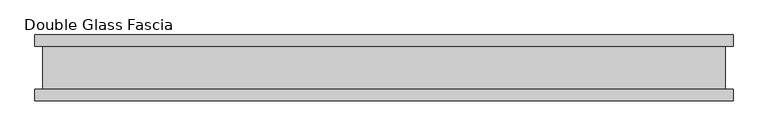
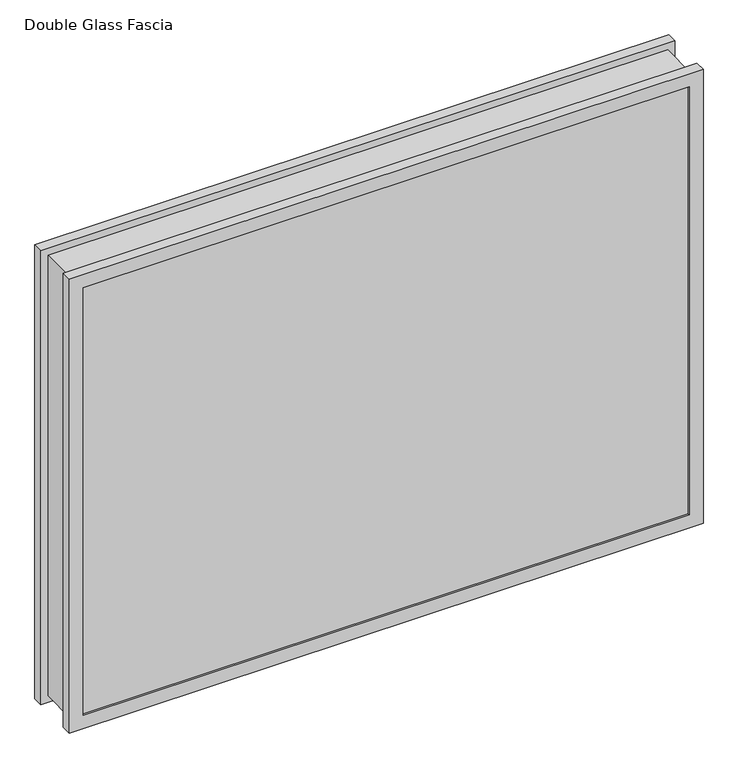
"""IFC4 building model written with IfcOpenShell, lengths in millimetres: proxy geometry, Double Glass Fascia."""

from ifc_helpers import new_model, si_unit, frame, origin, place, context, project, spatial, polyline, outline, extrude, faceted_brep, source, transform, mapped, element, save


def double_glass_fascia_5afd4dc1(model_context):
    return source(origin(), model_context, "Body", "SolidModel", [
        faceted_brep([(519.6640848, 32.4352299, 795.8590849), (519.6640848, -32.4352299, 795.8590849), (519.6640848, -32.4352299, 15.0359151), (519.6640848, 32.4352299, 15.0359151), (-519.6640848, -32.4352299, 15.0359151), (-519.6640848, 32.4352299, 15.0359151), (-519.6640848, -32.4352299, 795.8590849), (-519.6640848, 32.4352299, 795.8590849), (508.4871999, -38.8962152, 784.6822), (508.4871999, 38.8962152, 784.6822), (508.4871999, 38.8962152, 26.2128), (508.4871999, -38.8962152, 26.2128), (525.2218392, -47.1322551, 801.4168392), (525.2218392, -38.8962152, 801.4168392), (525.2218392, -38.8962152, 9.4781608), (525.2218392, -47.1322551, 9.4781608), (508.3093999, -50.0558594, 784.5044), (508.3093999, -47.1322551, 784.5044), (508.3093999, -47.1322551, 26.3906), (508.3093999, -50.0558594, 26.3906), (531.5249999, -32.4352299, 807.72), (531.5249999, -50.0558594, 807.72), (531.5249999, -50.0558594, 3.175), (531.5249999, -32.4352299, 3.175), (-508.4871999, 38.8962152, 26.2128), (-508.4871999, -38.8962152, 26.2128), (-525.2218392, -38.8962152, 9.4781608), (-525.2218392, -47.1322551, 9.4781608), (-508.3093999, -47.1322551, 26.3906), (-508.3093999, -50.0558594, 26.3906), (-531.5249999, -50.0558594, 3.175), (-531.5249999, -32.4352299, 3.175), (-508.4871999, 38.8962152, 784.6822), (-508.4871999, -38.8962152, 784.6822), (-525.2218392, -38.8962152, 801.4168392), (-525.2218392, -47.1322551, 801.4168392), (-508.3093999, -47.1322551, 784.5044), (-508.3093999, -50.0558594, 784.5044), (-531.5249999, -50.0558594, 807.72), (-531.5249999, -32.4352299, 807.72), (531.5249999, 50.0558594, 807.72), (531.5249999, 32.4352299, 807.72), (531.5249999, 32.4352299, 3.175), (531.5249999, 50.0558594, 3.175), (508.4871999, 47.1322551, 784.6822), (508.4871999, 50.0558594, 784.6822), (508.4871999, 50.0558594, 26.2128), (508.4871999, 47.1322551, 26.2128), (525.2218392, 38.8962152, 801.4168392), (525.2218392, 47.1322551, 801.4168392), (525.2218392, 47.1322551, 9.4781608), (525.2218392, 38.8962152, 9.4781608), (-531.5249999, 32.4352299, 3.175), (-531.5249999, 50.0558594, 3.175), (-508.4871999, 50.0558594, 26.2128), (-508.4871999, 47.1322551, 26.2128), (-525.2218392, 47.1322551, 9.4781608), (-525.2218392, 38.8962152, 9.4781608), (-531.5249999, 32.4352299, 807.72), (-531.5249999, 50.0558594, 807.72), (-508.4871999, 50.0558594, 784.6822), (-508.4871999, 47.1322551, 784.6822), (-525.2218392, 47.1322551, 801.4168392), (-525.2218392, 38.8962152, 801.4168392)], [[[0, 1, 2, 3]], [[3, 2, 4, 5]], [[5, 4, 6, 7]], [[7, 6, 1, 0]], [[8, 9, 10, 11]], [[12, 13, 14, 15]], [[16, 17, 18, 19]], [[20, 21, 22, 23]], [[11, 10, 24, 25]], [[15, 14, 26, 27]], [[19, 18, 28, 29]], [[23, 22, 30, 31]], [[25, 24, 32, 33]], [[27, 26, 34, 35]], [[29, 28, 36, 37]], [[31, 30, 38, 39]], [[33, 32, 9, 8]], [[13, 34, 26, 14], [11, 25, 33, 8]], [[35, 34, 13, 12]], [[15, 27, 35, 12], [17, 36, 28, 18]], [[37, 36, 17, 16]], [[21, 38, 30, 22], [19, 29, 37, 16]], [[39, 38, 21, 20]], [[23, 31, 39, 20], [1, 6, 4, 2]], [[40, 41, 42, 43]], [[44, 45, 46, 47]], [[48, 49, 50, 51]], [[43, 42, 52, 53]], [[47, 46, 54, 55]], [[51, 50, 56, 57]], [[53, 52, 58, 59]], [[55, 54, 60, 61]], [[57, 56, 62, 63]], [[41, 58, 52, 42], [3, 5, 7, 0]], [[59, 58, 41, 40]], [[43, 53, 59, 40], [45, 60, 54, 46]], [[61, 60, 45, 44]], [[49, 62, 56, 50], [47, 55, 61, 44]], [[63, 62, 49, 48]], [[51, 57, 63, 48], [9, 32, 24, 10]]]),
        extrude(outline(polyline([(520.7, -40.9277344), (520.7, -46.8808594), (-520.7, -46.8808594), (-520.7, -40.9277344), (520.7, -40.9277344)])), frame((0.0, 0.0, 5.3275263), z_axis=(0.0, 0.0, 1.0), x_axis=(1.0, 0.0, 0.0)), (0.0, 0.0, 1.0), 799.745928),
        extrude(outline(polyline([(520.7, 41.1791301), (-520.7, 41.1791301), (-520.7, 47.1322551), (520.7, 47.1322551), (520.7, 41.1791301)])), frame((0.0, 0.0, 5.3275263), z_axis=(0.0, 0.0, 1.0), x_axis=(1.0, 0.0, 0.0)), (0.0, 0.0, 1.0), 799.745928),
    ])


if __name__ == "__main__":
    model = new_model("IFC4")
    model_context = context("Model", 3, world=origin())
    ifc_project = project(units=[si_unit("LENGTHUNIT", "METRE", prefix="MILLI")], contexts=[model_context])
    site = spatial("IfcSite", under=ifc_project)
    building = spatial("IfcBuilding", under=site)
    placement = place(None, origin())
    double_glass_fascia_shape = double_glass_fascia_5afd4dc1(model_context)
    element("IfcBuildingElementProxy", 1, Name="Double Glass Fascia", ObjectType="Double Glass Fascia", at=placement, inside=building, context=model_context, shape_type="MappedRepresentation", body=[
        mapped(double_glass_fascia_shape, transform((0.0, 0.0, 0.0), x_axis=(1.0, 0.0, 0.0), y_axis=(0.0, 1.0, 0.0), z_axis=(0.0, 0.0, 1.0))),
    ])
    save(model, "model.ifc")
